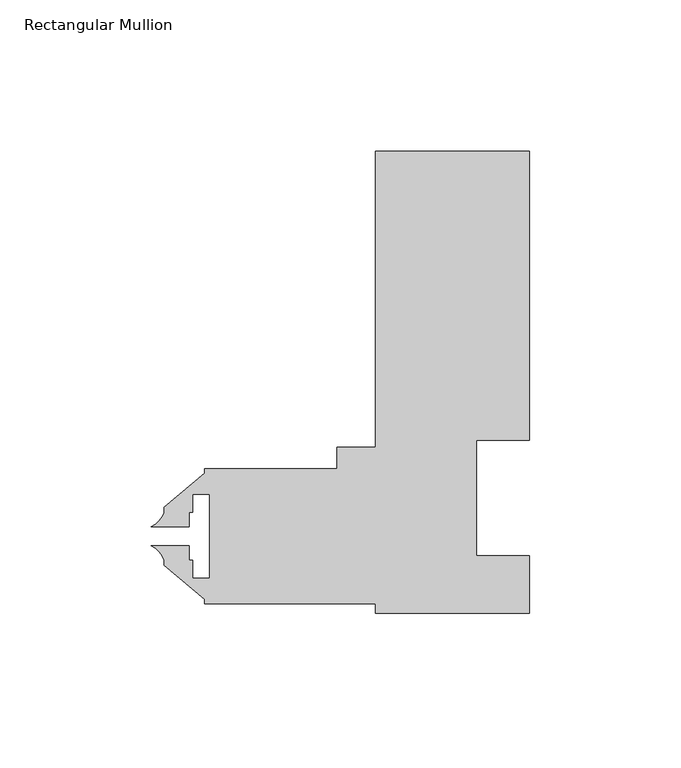
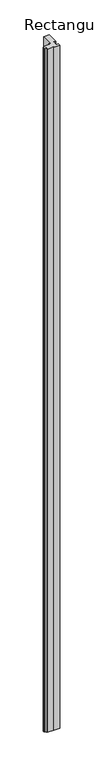
"""IFC4 building model written with IfcOpenShell, lengths in millimetres: member geometry, Rectangular Mullion."""

from ifc_helpers import new_model, si_unit, point, frame, frame_2d, origin, place, context, project, spatial, polyline, circle_curve, trimmed, segment, composite_curve, outline, extrude, source, transform, mapped, element, save


def rectangular_mullion_b4de4ab9(model_context):
    return source(origin(), model_context, "Body", "SweptSolid", [
        extrude(outline(composite_curve([segment(polyline([(-25.4, 152.4), (25.4, 152.4), (25.4, 57.15), (7.9502, 57.15), (7.9502, 19.05), (25.4, 19.05), (25.4, 0.0), (-25.4, 0.0), (-25.4, 3.175), (-81.75625, 3.175), (-81.75625, 4.5691667), (-95.21825, 15.865126), (-95.21825, 17.5532603)]), True, "CONTINUOUS"), segment(trimmed(circle_curve(frame_2d((-102.5942524, 15.1631039)), 7.7535965), [point((-95.21825, 17.5532603))], [point((-99.4160584, 22.2353979))], True, "CARTESIAN"), True, "CONTINUOUS"), segment(polyline([(-99.4160584, 22.2353979), (-86.92348, 22.2353979), (-86.92348, 17.47266), (-85.79485, 17.47266), (-85.79485, 11.50366), (-80.18145, 11.50366), (-80.18145, 39.29126), (-85.79485, 39.29126), (-85.79485, 33.32226), (-86.92348, 33.32226), (-86.92348, 28.5595221), (-99.4160584, 28.5595221)]), True, "CONTINUOUS"), segment(trimmed(circle_curve(frame_2d((-102.5942524, 35.6318161)), 7.7535965), [point((-99.4160584, 28.5595221))], [point((-95.21825, 33.2416597))], True, "CARTESIAN"), True, "CONTINUOUS"), segment(polyline([(-95.21825, 33.2416597), (-95.21825, 34.929794), (-81.75625, 46.2257533), (-81.75625, 47.625), (-38.1, 47.625), (-38.1, 54.7878), (-25.4, 54.7878), (-25.4, 152.4)]), True, "CONTINUOUS")], self_intersect=False)), frame((0.0, 0.0, -6186.1483186), z_axis=(0.0, 0.0, 1.0), x_axis=(1.0, 0.0, 0.0)), (0.0, 0.0, 1.0), 6186.1483186),
    ])


if __name__ == "__main__":
    model = new_model("IFC4")
    model_context = context("Model", 3, world=origin())
    ifc_project = project(units=[si_unit("LENGTHUNIT", "METRE", prefix="MILLI")], contexts=[model_context])
    site = spatial("IfcSite", under=ifc_project)
    building = spatial("IfcBuilding", under=site)
    placement = place(None, origin())
    rectangular_mullion_shape = rectangular_mullion_b4de4ab9(model_context)
    element("IfcMember", 1, ObjectType="Rectangular Mullion", at=placement, inside=building, context=model_context, shape_type="MappedRepresentation", body=[
        mapped(rectangular_mullion_shape, transform((0.0, 0.0, 0.0), x_axis=(1.0, 0.0, 0.0), y_axis=(0.0, 1.0, 0.0), z_axis=(0.0, 0.0, 1.0))),
    ])
    save(model, "model.ifc")
